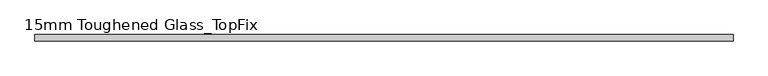
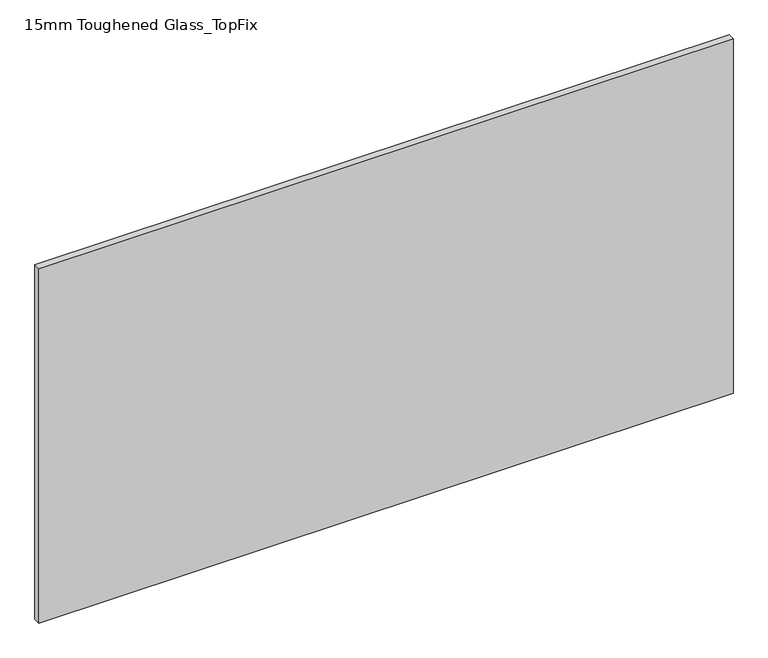
"""IFC4 building model written with IfcOpenShell, lengths in millimetres: plate geometry, 15mm Toughened Glass_TopFix."""

from ifc_helpers import new_model, si_unit, origin, origin_with_axes, place, context, project, spatial, polyline, outline, extrude, source, transform, mapped, element, save


def plate_15mm_toughened_glass_topfix_e9be6c33(model_context):
    return source(origin(), model_context, "Body", "SweptSolid", [
        extrude(outline(polyline([(795.0000001, 7.5), (795.0000001, -7.5), (-795.0000001, -7.5), (-795.0000001, 7.5), (795.0000001, 7.5)])), origin_with_axes(), (0.0, 0.0, 1.0), 858.0),
    ])


if __name__ == "__main__":
    model = new_model("IFC4")
    model_context = context("Model", 3, world=origin())
    ifc_project = project(units=[si_unit("LENGTHUNIT", "METRE", prefix="MILLI")], contexts=[model_context])
    site = spatial("IfcSite", under=ifc_project)
    building = spatial("IfcBuilding", under=site)
    placement = place(None, origin())
    plate_15mm_toughened_glass_topfix_shape = plate_15mm_toughened_glass_topfix_e9be6c33(model_context)
    element("IfcPlate", 1, ObjectType="15mm Toughened Glass_TopFix", at=placement, inside=building, context=model_context, shape_type="MappedRepresentation", body=[
        mapped(plate_15mm_toughened_glass_topfix_shape, transform((0.0, 0.0, 0.0), x_axis=(1.0, 0.0, 0.0), y_axis=(0.0, 1.0, 0.0), z_axis=(0.0, 0.0, 1.0))),
    ])
    save(model, "model.ifc")
